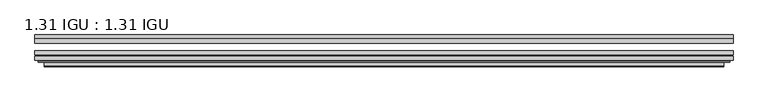
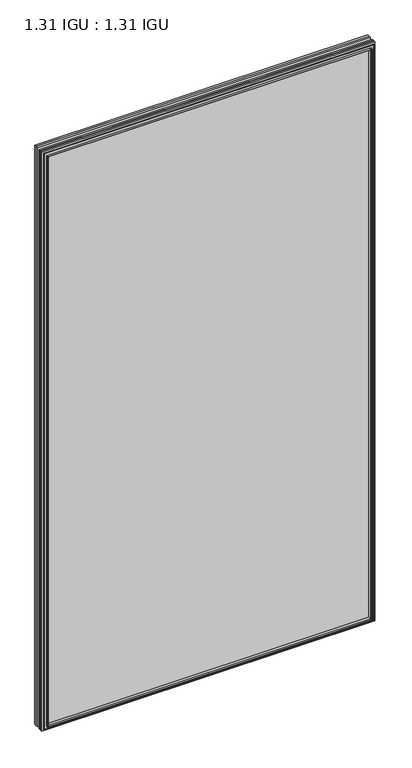
"""IFC4 building model written with IfcOpenShell, lengths in millimetres: plate geometry, 1.31 IGU : 1.31 IGU."""

import ifcopenshell
import ifcopenshell.guid

model = None  # the IFC model being written
_history = None  # IfcOwnerHistory: only IFC2X3 demands one
_inside = {}  # id of a spatial element -> (the spatial element, [elements in it])
_under = {}  # id of a project, library or spatial element -> (it, [spatial elements below it])
_declared = {}  # id of a project -> (the project, [libraries it declares])
_typed = {}  # id of a type object -> (the type object, [elements of that type])
_made_of = {}  # id of a material, layer set ... -> (it, [elements and type objects made of it])


def new_model(schema):
    """Start an empty IFC model of exactly this schema.

    Asked for "IFC4X3", IfcOpenShell would pick the latest addendum, in which some entities
    have other attributes; the version numbers below select the first issue.
    IFC2X3 requires an IfcOwnerHistory on every rooted entity: one is made here for all.
    """
    global model, _history
    if schema == "IFC4X3":
        model = ifcopenshell.file(schema_version=(4, 3, 0, 0))
    else:
        model = ifcopenshell.file(schema=schema)
    _inside.clear()
    _under.clear()
    _declared.clear()
    _typed.clear()
    _made_of.clear()
    _history = None
    if model.schema == "IFC2X3":
        org = make("IfcOrganization", Name="unknown")
        user = make(
            "IfcPersonAndOrganization",
            ThePerson=make("IfcPerson", FamilyName="unknown"),
            TheOrganization=org,
        )
        app = make(
            "IfcApplication",
            ApplicationDeveloper=org,
            Version="unknown",
            ApplicationFullName="unknown",
            ApplicationIdentifier="unknown",
        )
        _history = make(
            "IfcOwnerHistory",
            OwningUser=user,
            OwningApplication=app,
            ChangeAction="ADDED",
            CreationDate=0,
        )
    return model


def make(cls, **values):
    """One entity of the class cls with the attributes given. An attribute that is None is left unset."""
    return model.create_entity(
        cls, **{name: value for name, value in values.items() if value is not None}
    )


def rooted(cls, **values):
    """An entity with a GlobalId (a new one), such as an element, a storey or a relation."""
    return make(cls, GlobalId=ifcopenshell.guid.new(), OwnerHistory=_history, **values)


def si_unit(unit_type, name, prefix=None):
    """IfcSIUnit, for example si_unit("LENGTHUNIT", "METRE", prefix="MILLI")."""
    return make("IfcSIUnit", UnitType=unit_type, Prefix=prefix, Name=name)


def assignment(units):
    """IfcUnitAssignment: the units of a project."""
    return None if units is None else make("IfcUnitAssignment", Units=units)


def point(xyz):
    """IfcCartesianPoint."""
    return None if xyz is None else make("IfcCartesianPoint", Coordinates=xyz)


def direction(xyz):
    """IfcDirection."""
    return None if xyz is None else make("IfcDirection", DirectionRatios=xyz)


def frame(location, z_axis=None, x_axis=None):
    """IfcAxis2Placement3D, a coordinate frame: its origin and axes. An axis left out is left unset."""
    return make(
        "IfcAxis2Placement3D",
        Location=point(location),
        Axis=direction(z_axis),
        RefDirection=direction(x_axis),
    )


def origin():
    """The frame at (0, 0, 0) with its axes left unset."""
    return frame((0.0, 0.0, 0.0))


def place(relative_to, where):
    """IfcLocalPlacement: puts the frame where relative to a parent placement (None: the world)."""
    return make(
        "IfcLocalPlacement", PlacementRelTo=relative_to, RelativePlacement=where
    )


def context(
    kind, dimensions, precision=None, world=None, true_north=None, identifier=None
):
    """IfcGeometricRepresentationContext, for example the 3D "Model" context."""
    return make(
        "IfcGeometricRepresentationContext",
        ContextIdentifier=identifier,
        ContextType=kind,
        CoordinateSpaceDimension=dimensions,
        Precision=precision,
        WorldCoordinateSystem=world,
        TrueNorth=true_north,
    )


def project(units=None, contexts=None):
    """IfcProject with its units and contexts."""
    return rooted(
        "IfcProject",
        Name="project",
        RepresentationContexts=contexts,
        UnitsInContext=assignment(units),
    )


def spatial(cls, under=None, at=None, **own):
    """A site, building, storey or space (cls), placed at a placement, below another one or the project."""
    s = rooted(cls, ObjectPlacement=at, **own)
    if under is not None:
        _under.setdefault(under.id(), (under, []))[1].append(s)
    return s


def polyline(points):
    """IfcPolyline through the points."""
    return make("IfcPolyline", Points=[point(p) for p in points])


def ellipse_curve(where, semi_axis1, semi_axis2):
    """IfcEllipse in the frame where."""
    return make(
        "IfcEllipse", Position=where, SemiAxis1=semi_axis1, SemiAxis2=semi_axis2
    )


def outline(outer, holes=None, kind="AREA"):
    """IfcArbitraryClosedProfileDef: a profile drawn as a closed curve; with holes, ...WithVoids."""
    if holes is None:
        return make("IfcArbitraryClosedProfileDef", ProfileType=kind, OuterCurve=outer)
    return make(
        "IfcArbitraryProfileDefWithVoids",
        ProfileType=kind,
        OuterCurve=outer,
        InnerCurves=holes,
    )


def extrude(swept, where, along, depth):
    """IfcExtrudedAreaSolid: the profile swept, set in the frame where, extruded along a direction by depth."""
    return make(
        "IfcExtrudedAreaSolid",
        SweptArea=swept,
        Position=where,
        ExtrudedDirection=direction(along),
        Depth=depth,
    )


def faces_of(points, faces, orient=None, outer=None):
    """IfcFace entities. A face is a list of loops; a loop is a list of indices into points, from 0.

    orient and outer hold one flag for each loop. By default every Orientation is true, the
    first loop of a face is its IfcFaceOuterBound and the others are IfcFaceBound.
    """
    made = []
    for i, loops in enumerate(faces):
        bounds = []
        for j, loop in enumerate(loops):
            is_outer = j == 0 if outer is None else outer[i][j]
            bounds.append(
                make(
                    "IfcFaceOuterBound" if is_outer else "IfcFaceBound",
                    Bound=make("IfcPolyLoop", Polygon=[points[k] for k in loop]),
                    Orientation=True if orient is None else orient[i][j],
                )
            )
        made.append(make("IfcFace", Bounds=bounds))
    return made


def faceted_brep(points, faces, orient=None, outer=None, voids=None):
    """IfcFacetedBrep: a solid bounded by flat faces; with voids (closed shells), ...WithVoids."""
    shared = [point(p) for p in points]
    hull = make("IfcClosedShell", CfsFaces=faces_of(shared, faces, orient, outer))
    if voids is None:
        return make("IfcFacetedBrep", Outer=hull)
    return make(
        "IfcFacetedBrepWithVoids",
        Outer=hull,
        Voids=[
            make(cls, CfsFaces=faces_of(shared, fs, o, b)) for cls, fs, o, b in voids
        ],
    )


def shape(context_of_items, identifier, shape_type, items):
    """IfcShapeRepresentation: the items that make up one representation, for example the "Body"."""
    return make(
        "IfcShapeRepresentation",
        ContextOfItems=context_of_items,
        RepresentationIdentifier=identifier,
        RepresentationType=shape_type,
        Items=items,
    )


def source(mapping_origin, context_of_items, identifier, shape_type, items):
    """IfcRepresentationMap: a shape defined once, which mapped items show again and again."""
    return make(
        "IfcRepresentationMap",
        MappingOrigin=mapping_origin,
        MappedRepresentation=shape(context_of_items, identifier, shape_type, items),
    )


def transform(
    local_origin,
    x_axis=None,
    y_axis=None,
    z_axis=None,
    scale=None,
    scale2=None,
    scale3=None,
    uniform=True,
):
    """IfcCartesianTransformationOperator3D, or its non-uniform kind. x_axis, y_axis, z_axis: its Axis1, 2, 3."""
    if uniform:
        return make(
            "IfcCartesianTransformationOperator3D",
            Axis1=direction(x_axis),
            Axis2=direction(y_axis),
            LocalOrigin=point(local_origin),
            Scale=scale,
            Axis3=direction(z_axis),
        )
    return make(
        "IfcCartesianTransformationOperator3DnonUniform",
        Axis1=direction(x_axis),
        Axis2=direction(y_axis),
        LocalOrigin=point(local_origin),
        Scale=scale,
        Axis3=direction(z_axis),
        Scale2=scale2,
        Scale3=scale3,
    )


def mapped(mapping_source, mapping_target):
    """IfcMappedItem: shows the shape of a source again, moved by a transform."""
    return make(
        "IfcMappedItem", MappingSource=mapping_source, MappingTarget=mapping_target
    )


def made_of(thing, what):
    """Note that an element or type object is made of a material, layer set ...; save() writes the relation."""
    if what is not None:
        _made_of.setdefault(what.id(), (what, []))[1].append(thing)
    return thing


def element(
    cls,
    number,
    at=None,
    inside=None,
    cuts=None,
    type_object=None,
    material=None,
    context=None,
    identifier="Body",
    shape_type=None,
    held_by="IfcProductDefinitionShape",
    body=None,
    shapes=None,
    **own,
):
    """One element of the class cls, such as IfcWall. Its Tag is "e" and its number.

    at: its placement. inside: the storey or other place that contains it. cuts: it is an
    opening in that element (IfcRelVoidsElement). A single representation is given by context,
    identifier, shape_type and body (its items); several are given by shapes. held_by: the class
    of the entity that holds the representations. save() writes the other relations.
    """
    e = rooted(cls, Tag="e%d" % number, ObjectPlacement=at, **own)
    if body is not None:
        shapes = [shape(context, identifier, shape_type, body)]
    if shapes is not None:
        e.Representation = make(held_by, Representations=shapes)
    if inside is not None:
        _inside.setdefault(inside.id(), (inside, []))[1].append(e)
    if cuts is not None:
        rooted(
            "IfcRelVoidsElement", RelatingBuildingElement=cuts, RelatedOpeningElement=e
        )
    if type_object is not None:
        _typed.setdefault(type_object.id(), (type_object, []))[1].append(e)
    return made_of(e, material)


def aggregate(whole, parts):
    """IfcRelAggregates: a whole, such as a stair, and the parts it consists of."""
    return rooted("IfcRelAggregates", RelatingObject=whole, RelatedObjects=parts)


def save(model, path):
    """Write the relations noted so far, then the file.

    IfcRelAggregates (storeys below a building ...), IfcRelContainedInSpatialStructure (elements
    in a storey), IfcRelDefinesByType, IfcRelAssociatesMaterial and IfcRelDeclares: one each for
    every whole, place, type object, material and project.
    """
    for whole, parts in _under.values():
        aggregate(whole, parts)
    for where, things in _inside.values():
        rooted(
            "IfcRelContainedInSpatialStructure",
            RelatedElements=things,
            RelatingStructure=where,
        )
    for kind, things in _typed.values():
        rooted("IfcRelDefinesByType", RelatedObjects=things, RelatingType=kind)
    for what, things in _made_of.values():
        rooted("IfcRelAssociatesMaterial", RelatedObjects=things, RelatingMaterial=what)
    for by, libraries in _declared.values():
        rooted("IfcRelDeclares", RelatingContext=by, RelatedDefinitions=libraries)
    model.write(path)


def plane_surface(at):
    """IfcPlane: the flat surface through the origin of the frame at, square to its z axis."""
    return make("IfcPlane", Position=at)


def cylinder_surface(at, radius):
    """IfcCylindricalSurface: all points at the distance radius from the z axis of the frame at."""
    return make("IfcCylindricalSurface", Position=at, Radius=radius)


def advanced_brep(points, edges, surfaces, faces):
    """IfcAdvancedBrep: a solid bounded by faces that lie on surfaces and meet in shared edges.

    An edge is (start, end): straight between two places in points (the first is 0);
    or (start, end, curve); or (start, end, curve, False) where it runs against its curve.
    A face is (place in surfaces, loops), or (place, loops, False) where it looks against
    its surface's normal. A loop lists edges by number (the first is 1), with a minus sign
    where the edge is run from its end to its start. The first loop is the outer one.
    """
    corners = [point(p) for p in points]
    vertices = [make("IfcVertexPoint", VertexGeometry=c) for c in corners]
    made = []
    for start, end, *more in edges:
        made.append(
            make(
                "IfcEdgeCurve",
                EdgeStart=vertices[start],
                EdgeEnd=vertices[end],
                EdgeGeometry=more[0] if more else make("IfcPolyline", Points=[corners[start], corners[end]]),
                SameSense=more[1] if len(more) > 1 else True,
            )
        )
    hull = []
    for where, loops, *sense in faces:
        bounds = []
        for j, loop in enumerate(loops):
            ring = [make("IfcOrientedEdge", EdgeElement=made[abs(k) - 1], Orientation=k > 0) for k in loop]
            bounds.append(
                make(
                    "IfcFaceOuterBound" if j == 0 else "IfcFaceBound",
                    Bound=make("IfcEdgeLoop", EdgeList=ring),
                    Orientation=True,
                )
            )
        hull.append(make("IfcAdvancedFace", Bounds=bounds, FaceSurface=surfaces[where], SameSense=sense[0] if sense else True))
    return make("IfcAdvancedBrep", Outer=make("IfcClosedShell", CfsFaces=hull))


def plate_1_31_igu_1_31_igu_24055676(model_context):
    return source(origin(), model_context, "Body", "SolidModel", [
        extrude(outline(polyline([(547.5560218, -66.4725937), (547.5560218, -72.8225938), (-547.5418469, -72.8225938), (-547.5418469, -66.4725937), (547.5560218, -66.4725937)])), frame((0.0, 0.0, -14.2875), z_axis=(0.0, 0.0, 1.0), x_axis=(1.0, 0.0, 0.0)), (0.0, 0.0, 1.0), 2009.7964726),
        extrude(outline(polyline([(-547.5418469, -81.4585938), (-547.5418469, -75.1080887), (547.5560218, -75.1080887), (547.5560218, -81.4585938), (-547.5418469, -81.4585938)])), frame((0.0, 0.0, -14.2875), z_axis=(0.0, 0.0, 1.0), x_axis=(1.0, 0.0, 0.0)), (0.0, 0.0, 1.0), 2009.7964726),
        extrude(outline(polyline([(547.5560218, -48.1337937), (547.5560218, -54.4837938), (-547.5418469, -54.4837938), (-547.5418469, -48.1337937), (547.5560218, -48.1337937)])), frame((0.0, 0.0, -14.2875), z_axis=(0.0, 0.0, 1.0), x_axis=(1.0, 0.0, 0.0)), (0.0, 0.0, 1.0), 2009.7964726),
        faceted_brep([(-533.2490371, -41.7837938, 1981.2123649), (-532.3566028, -48.1337937, 1980.3199306), (-532.3566028, -48.1337937, 0.8977441), (-533.2490371, -41.7837938, 0.0053098), (-547.5545469, -48.1337937, 1995.5178747), (-547.5545469, -41.7837938, 1995.5178747), (-547.5545469, -41.7837938, -14.3002), (-547.5545469, -48.1337937, -14.3002), (532.3566028, -48.1337937, 0.8977441), (533.2490371, -41.7837938, 0.0053098), (547.5545469, -41.7837938, -14.3002), (547.5545469, -48.1337937, -14.3002), (532.3566028, -48.1337937, 1980.3199306), (533.2490371, -41.7837938, 1981.2123649), (547.5545469, -41.7837938, 1995.5178747), (547.5545469, -48.1337937, 1995.5178747)], [[[0, 1, 2, 3]], [[4, 5, 6, 7]], [[3, 2, 8, 9]], [[7, 6, 10, 11]], [[9, 8, 12, 13]], [[11, 10, 14, 15]], [[7, 11, 15, 4], [1, 12, 8, 2]], [[13, 12, 1, 0]], [[5, 14, 10, 6], [3, 9, 13, 0]], [[15, 14, 5, 4]]]),
        advanced_brep(
        [(-541.6529818, -84.6335938, 1989.6163096), (-542.6547713, -83.4482604, 1990.6180991), (-542.6547713, -83.4482604, -9.4004244), (-541.6529818, -84.6335938, -8.3986349), (-533.2489253, -91.0948368, 1981.2122532), (-533.2489253, -84.6335938, 1981.2122532), (-533.2489253, -84.6335938, 0.0054216), (-533.2489253, -91.0948368, 0.0054216), (-532.2582685, -90.6958619, 1980.2215964), (-532.2582685, -90.6958619, 0.9960783), (-531.2262408, -85.2986307, 1979.1895686), (-531.2262408, -85.2986307, 2.0281061), (-526.2914089, -81.4585938, 1974.2547368), (-526.2914089, -81.4585938, 6.9629379), (-540.3005659, -81.4585938, 1988.2638938), (-540.3005659, -81.4585938, -7.046219), (542.6547713, -83.4482604, -9.4004244), (541.6529818, -84.6335938, -8.3986349), (533.2489253, -84.6335938, 0.0054216), (533.2489253, -91.0948368, 0.0054216), (532.2582685, -90.6958619, 0.9960783), (531.2262408, -85.2986307, 2.0281061), (526.2914089, -81.4585938, 6.9629379), (540.3005659, -81.4585938, -7.046219), (542.6547713, -83.4482604, 1990.6180991), (541.6529818, -84.6335938, 1989.6163096), (533.2489253, -84.6335938, 1981.2122532), (533.2489253, -91.0948368, 1981.2122532), (532.2582685, -90.6958619, 1980.2215964), (531.2262408, -85.2986307, 1979.1895686), (526.2914089, -81.4585938, 1974.2547368), (540.3005659, -81.4585938, 1988.2638938)],
        [
            (0, 1, ellipse_curve(frame((-541.6529818, -83.6175938, 1989.6163096), z_axis=(-0.7071067811865475, 0.0, -0.7071067811865475), x_axis=(-0.7071067811865474, 0.0, 0.7071067811865476)), 1.436841, 1.016)),
            (1, 2),
            (2, 3, ellipse_curve(frame((-541.6529818, -83.6175938, -8.3986349), z_axis=(-0.7071067811865475, 0.0, 0.7071067811865475), x_axis=(0.7071067811865474, 0.0, 0.7071067811865476)), 1.436841, 1.016)),
            (3, 0),
            (4, 5),
            (5, 6),
            (6, 7),
            (7, 4),
            (8, 4, ellipse_curve(frame((-532.8819687, -90.5766015, 1980.8452966), z_axis=(-0.7071067811865475, 0.0, -0.7071067811865475), x_axis=(-0.7071067811865474, 0.0, 0.7071067811865476)), 0.8980256, 0.635)),
            (7, 9, ellipse_curve(frame((-532.8819687, -90.5766015, 0.3723781), z_axis=(-0.7071067811865475, 0.0, 0.7071067811865475), x_axis=(0.7071067811865474, 0.0, 0.7071067811865476)), 0.8980256, 0.635)),
            (9, 8),
            (10, 8),
            (9, 11),
            (11, 10),
            (12, 10),
            (11, 13),
            (13, 12),
            (1, 14, ellipse_curve(frame((-540.3005659, -83.8461938, 1988.2638938), z_axis=(-0.7071067811865475, 0.0, -0.7071067811865475), x_axis=(-0.7071067811865474, 0.0, 0.7071067811865476)), 3.3765763, 2.3876)),
            (14, 15),
            (15, 2, ellipse_curve(frame((-540.3005659, -83.8461938, -7.046219), z_axis=(-0.7071067811865475, 0.0, 0.7071067811865475), x_axis=(0.7071067811865474, 0.0, 0.7071067811865476)), 3.3765763, 2.3876)),
            (2, 16),
            (16, 17, ellipse_curve(frame((541.6529818, -83.6175938, -8.3986349), z_axis=(-0.7071067811865475, 0.0, -0.7071067811865475), x_axis=(-0.7071067811865476, 0.0, 0.7071067811865474)), 1.436841, 1.016)),
            (17, 3),
            (6, 18),
            (18, 19),
            (19, 7),
            (19, 20, ellipse_curve(frame((532.8819687, -90.5766015, 0.3723781), z_axis=(-0.7071067811865475, 0.0, -0.7071067811865475), x_axis=(-0.7071067811865476, 0.0, 0.7071067811865474)), 0.8980256, 0.635)),
            (20, 9),
            (20, 21),
            (21, 11),
            (21, 22),
            (22, 13),
            (15, 23),
            (23, 16, ellipse_curve(frame((540.3005659, -83.8461938, -7.046219), z_axis=(-0.7071067811865475, 0.0, -0.7071067811865475), x_axis=(-0.7071067811865476, 0.0, 0.7071067811865474)), 3.3765763, 2.3876)),
            (16, 24),
            (24, 25, ellipse_curve(frame((541.6529818, -83.6175938, 1989.6163096), z_axis=(0.7071067811865475, 0.0, -0.7071067811865475), x_axis=(-0.7071067811865474, 0.0, -0.7071067811865476)), 1.436841, 1.016)),
            (25, 17),
            (18, 26),
            (26, 27),
            (27, 19),
            (27, 28, ellipse_curve(frame((532.8819687, -90.5766015, 1980.8452966), z_axis=(0.7071067811865475, 0.0, -0.7071067811865475), x_axis=(-0.7071067811865474, 0.0, -0.7071067811865476)), 0.8980256, 0.635)),
            (28, 20),
            (28, 29),
            (29, 21),
            (29, 30),
            (30, 22),
            (23, 31),
            (31, 24, ellipse_curve(frame((540.3005659, -83.8461938, 1988.2638938), z_axis=(0.7071067811865475, 0.0, -0.7071067811865475), x_axis=(-0.7071067811865474, 0.0, -0.7071067811865476)), 3.3765763, 2.3876)),
            (24, 1),
            (0, 25),
            (5, 26),
            (4, 27),
            (8, 28),
            (10, 29),
            (12, 30),
            (14, 31),
        ],
        [
            cylinder_surface(frame((-541.6529818, -83.6175938, 2012.9676747), z_axis=(0.0, 0.0, 1.0), x_axis=(-1.0, 0.0, 0.0)), 1.016),
            plane_surface(frame((-533.2489253, -84.6335938, 1981.2122532), z_axis=(-1.0, 0.0, 0.0), x_axis=(0.0, 0.0, -1.0))),
            cylinder_surface(frame((-532.8819687, -90.5766015, 2012.9676747), z_axis=(0.0, 0.0, 1.0), x_axis=(-1.0, 0.0, 0.0)), 0.635),
            plane_surface(frame((-532.2582685, -90.6958619, 1980.2215964), z_axis=(0.9822050625507717, -0.1878116479338675, 0.0), x_axis=(0.0, 0.0, -1.0))),
            plane_surface(frame((-531.2262408, -85.2986307, 1979.1895686), z_axis=(0.6141233906514726, -0.7892100234124875, 0.0), x_axis=(0.0, 0.0, -1.0))),
            cylinder_surface(frame((-540.3005659, -83.8461938, 2012.9676747), z_axis=(0.0, 0.0, 1.0), x_axis=(-1.0, 0.0, 0.0)), 2.3876),
            cylinder_surface(frame((-565.0043469, -83.6175938, -8.3986349), z_axis=(-1.0, 0.0, 0.0), x_axis=(0.0, 0.0, -1.0)), 1.016),
            plane_surface(frame((-533.2489253, -84.6335938, 0.0054216), z_axis=(0.0, 0.0, -1.0), x_axis=(1.0, 0.0, 0.0))),
            cylinder_surface(frame((-565.0043469, -90.5766015, 0.3723781), z_axis=(-1.0, 0.0, 0.0), x_axis=(0.0, 0.0, -1.0)), 0.635),
            plane_surface(frame((-532.2582685, -90.6958619, 0.9960783), z_axis=(0.0, -0.18781164793386435, 0.9822050625507722), x_axis=(1.0, 0.0, 0.0))),
            plane_surface(frame((-531.2262408, -85.2986307, 2.0281061), z_axis=(0.0, -0.7892100234124855, 0.6141233906514751), x_axis=(1.0, 0.0, 0.0))),
            cylinder_surface(frame((-565.0043469, -83.8461938, -7.046219), z_axis=(-1.0, 0.0, 0.0), x_axis=(0.0, 0.0, -1.0)), 2.3876),
            cylinder_surface(frame((541.6529818, -83.6175938, -31.75), z_axis=(0.0, 0.0, -1.0), x_axis=(1.0, 0.0, 0.0)), 1.016),
            plane_surface(frame((533.2489253, -84.6335938, 0.0054216), z_axis=(1.0, 0.0, 0.0), x_axis=(0.0, 0.0, 1.0))),
            cylinder_surface(frame((532.8819687, -90.5766015, -31.75), z_axis=(0.0, 0.0, -1.0), x_axis=(1.0, 0.0, 0.0)), 0.635),
            plane_surface(frame((532.2582685, -90.6958619, 0.9960783), z_axis=(-0.9822050625507728, -0.18781164793386118, 0.0), x_axis=(0.0, 0.0, 1.0))),
            plane_surface(frame((531.2262408, -85.2986307, 2.0281061), z_axis=(-0.6141233906514777, -0.7892100234124835, 0.0), x_axis=(0.0, 0.0, 1.0))),
            cylinder_surface(frame((540.3005659, -83.8461938, -31.75), z_axis=(0.0, 0.0, -1.0), x_axis=(1.0, 0.0, 0.0)), 2.3876),
            cylinder_surface(frame((565.0043469, -83.6175938, 1989.6163096), z_axis=(1.0, 0.0, 0.0), x_axis=(0.0, 0.0, 1.0)), 1.016),
            plane_surface(frame((541.6529818, -84.6335938, 1989.6163096), z_axis=(0.0, -1.0, 0.0), x_axis=(-1.0, 0.0, 0.0))),
            plane_surface(frame((533.2489253, -84.6335938, 1981.2122532), z_axis=(0.0, 0.0, 1.0), x_axis=(-1.0, 0.0, 0.0))),
            cylinder_surface(frame((565.0043469, -90.5766015, 1980.8452966), z_axis=(1.0, 0.0, 0.0), x_axis=(0.0, 0.0, 1.0)), 0.635),
            plane_surface(frame((532.2582685, -90.6958619, 1980.2215964), z_axis=(0.0, -0.18781164793386435, -0.9822050625507722), x_axis=(-1.0, 0.0, 0.0))),
            plane_surface(frame((531.2262408, -85.2986307, 1979.1895686), z_axis=(0.0, -0.7892100234124855, -0.6141233906514751), x_axis=(-1.0, 0.0, 0.0))),
            plane_surface(frame((526.2914089, -81.4585938, 1974.2547368), z_axis=(0.0, 1.0, 0.0), x_axis=(-1.0, 0.0, 0.0))),
            cylinder_surface(frame((565.0043469, -83.8461938, 1988.2638938), z_axis=(1.0, 0.0, 0.0), x_axis=(0.0, 0.0, 1.0)), 2.3876),
        ],
        [
            (0, [[1, 2, 3, 4]]),
            (1, [[5, 6, 7, 8]]),
            (2, [[9, -8, 10, 11]]),
            (3, [[12, -11, 13, 14]]),
            (4, [[15, -14, 16, 17]]),
            (5, [[18, 19, 20, -2]]),
            (6, [[-3, 21, 22, 23]]),
            (7, [[-7, 24, 25, 26]]),
            (8, [[-10, -26, 27, 28]]),
            (9, [[-13, -28, 29, 30]]),
            (10, [[-16, -30, 31, 32]]),
            (11, [[-20, 33, 34, -21]]),
            (12, [[-22, 35, 36, 37]]),
            (13, [[-25, 38, 39, 40]]),
            (14, [[-27, -40, 41, 42]]),
            (15, [[-29, -42, 43, 44]]),
            (16, [[-31, -44, 45, 46]]),
            (17, [[-34, 47, 48, -35]]),
            (18, [[-36, 49, -1, 50]]),
            (19, [[-23, -37, -50, -4], [51, -38, -24, -6]]),
            (20, [[-39, -51, -5, 52]]),
            (21, [[-41, -52, -9, 53]]),
            (22, [[-43, -53, -12, 54]]),
            (23, [[-45, -54, -15, 55]]),
            (24, [[56, -47, -33, -19], [-32, -46, -55, -17]]),
            (25, [[-48, -56, -18, -49]]),
        ],
    ),
    ])


if __name__ == "__main__":
    model = new_model("IFC4")
    model_context = context("Model", 3, world=origin())
    ifc_project = project(units=[si_unit("LENGTHUNIT", "METRE", prefix="MILLI")], contexts=[model_context])
    site = spatial("IfcSite", under=ifc_project)
    building = spatial("IfcBuilding", under=site)
    placement = place(None, origin())
    plate_1_31_igu_1_31_igu_shape = plate_1_31_igu_1_31_igu_24055676(model_context)
    element("IfcPlate", 1, ObjectType="1.31 IGU : 1.31 IGU", at=placement, inside=building, context=model_context, shape_type="MappedRepresentation", body=[
        mapped(plate_1_31_igu_1_31_igu_shape, transform((0.0, 0.0, 0.0), x_axis=(1.0, 0.0, 0.0), y_axis=(0.0, 1.0, 0.0), z_axis=(0.0, 0.0, 1.0))),
    ])
    save(model, "model.ifc")
